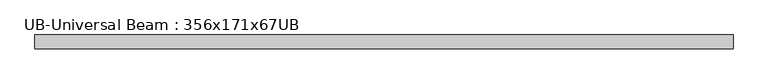
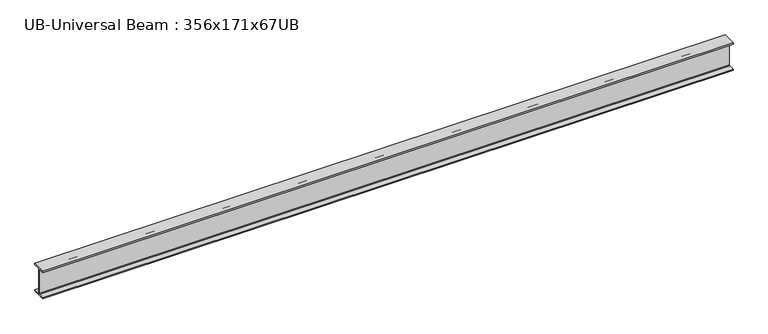
"""IFC4 building model written with IfcOpenShell, lengths in millimetres: beam geometry, UB-Universal Beam : 356x171x67UB."""

import ifcopenshell
import ifcopenshell.guid

model = None  # the IFC model being written
_history = None  # IfcOwnerHistory: only IFC2X3 demands one
_inside = {}  # id of a spatial element -> (the spatial element, [elements in it])
_under = {}  # id of a project, library or spatial element -> (it, [spatial elements below it])
_declared = {}  # id of a project -> (the project, [libraries it declares])
_typed = {}  # id of a type object -> (the type object, [elements of that type])
_made_of = {}  # id of a material, layer set ... -> (it, [elements and type objects made of it])


def new_model(schema):
    """Start an empty IFC model of exactly this schema.

    Asked for "IFC4X3", IfcOpenShell would pick the latest addendum, in which some entities
    have other attributes; the version numbers below select the first issue.
    IFC2X3 requires an IfcOwnerHistory on every rooted entity: one is made here for all.
    """
    global model, _history
    if schema == "IFC4X3":
        model = ifcopenshell.file(schema_version=(4, 3, 0, 0))
    else:
        model = ifcopenshell.file(schema=schema)
    _inside.clear()
    _under.clear()
    _declared.clear()
    _typed.clear()
    _made_of.clear()
    _history = None
    if model.schema == "IFC2X3":
        org = make("IfcOrganization", Name="unknown")
        user = make(
            "IfcPersonAndOrganization",
            ThePerson=make("IfcPerson", FamilyName="unknown"),
            TheOrganization=org,
        )
        app = make(
            "IfcApplication",
            ApplicationDeveloper=org,
            Version="unknown",
            ApplicationFullName="unknown",
            ApplicationIdentifier="unknown",
        )
        _history = make(
            "IfcOwnerHistory",
            OwningUser=user,
            OwningApplication=app,
            ChangeAction="ADDED",
            CreationDate=0,
        )
    return model


def make(cls, **values):
    """One entity of the class cls with the attributes given. An attribute that is None is left unset."""
    return model.create_entity(
        cls, **{name: value for name, value in values.items() if value is not None}
    )


def rooted(cls, **values):
    """An entity with a GlobalId (a new one), such as an element, a storey or a relation."""
    return make(cls, GlobalId=ifcopenshell.guid.new(), OwnerHistory=_history, **values)


def si_unit(unit_type, name, prefix=None):
    """IfcSIUnit, for example si_unit("LENGTHUNIT", "METRE", prefix="MILLI")."""
    return make("IfcSIUnit", UnitType=unit_type, Prefix=prefix, Name=name)


def assignment(units):
    """IfcUnitAssignment: the units of a project."""
    return None if units is None else make("IfcUnitAssignment", Units=units)


def point(xyz):
    """IfcCartesianPoint."""
    return None if xyz is None else make("IfcCartesianPoint", Coordinates=xyz)


def direction(xyz):
    """IfcDirection."""
    return None if xyz is None else make("IfcDirection", DirectionRatios=xyz)


def frame(location, z_axis=None, x_axis=None):
    """IfcAxis2Placement3D, a coordinate frame: its origin and axes. An axis left out is left unset."""
    return make(
        "IfcAxis2Placement3D",
        Location=point(location),
        Axis=direction(z_axis),
        RefDirection=direction(x_axis),
    )


def frame_2d(location, x_axis=None):
    """IfcAxis2Placement2D, a coordinate frame in the plane: its origin and x axis."""
    return make(
        "IfcAxis2Placement2D", Location=point(location), RefDirection=direction(x_axis)
    )


def origin():
    """The frame at (0, 0, 0) with its axes left unset."""
    return frame((0.0, 0.0, 0.0))


def place(relative_to, where):
    """IfcLocalPlacement: puts the frame where relative to a parent placement (None: the world)."""
    return make(
        "IfcLocalPlacement", PlacementRelTo=relative_to, RelativePlacement=where
    )


def context(
    kind, dimensions, precision=None, world=None, true_north=None, identifier=None
):
    """IfcGeometricRepresentationContext, for example the 3D "Model" context."""
    return make(
        "IfcGeometricRepresentationContext",
        ContextIdentifier=identifier,
        ContextType=kind,
        CoordinateSpaceDimension=dimensions,
        Precision=precision,
        WorldCoordinateSystem=world,
        TrueNorth=true_north,
    )


def project(units=None, contexts=None):
    """IfcProject with its units and contexts."""
    return rooted(
        "IfcProject",
        Name="project",
        RepresentationContexts=contexts,
        UnitsInContext=assignment(units),
    )


def spatial(cls, under=None, at=None, **own):
    """A site, building, storey or space (cls), placed at a placement, below another one or the project."""
    s = rooted(cls, ObjectPlacement=at, **own)
    if under is not None:
        _under.setdefault(under.id(), (under, []))[1].append(s)
    return s


def polyline(points):
    """IfcPolyline through the points."""
    return make("IfcPolyline", Points=[point(p) for p in points])


def circle_curve(where, radius):
    """IfcCircle in the frame where."""
    return make("IfcCircle", Position=where, Radius=radius)


def trimmed(basis, trim1, trim2, sense, master):
    """IfcTrimmedCurve: the piece of a basis curve between two trims."""
    return make(
        "IfcTrimmedCurve",
        BasisCurve=basis,
        Trim1=trim1,
        Trim2=trim2,
        SenseAgreement=sense,
        MasterRepresentation=master,
    )


def segment(curve, same_sense, transition):
    """IfcCompositeCurveSegment."""
    return make(
        "IfcCompositeCurveSegment",
        Transition=transition,
        SameSense=same_sense,
        ParentCurve=curve,
    )


def composite_curve(segments, self_intersect=None):
    """IfcCompositeCurve: segments joined end to end."""
    return make("IfcCompositeCurve", Segments=segments, SelfIntersect=self_intersect)


def outline(outer, holes=None, kind="AREA"):
    """IfcArbitraryClosedProfileDef: a profile drawn as a closed curve; with holes, ...WithVoids."""
    if holes is None:
        return make("IfcArbitraryClosedProfileDef", ProfileType=kind, OuterCurve=outer)
    return make(
        "IfcArbitraryProfileDefWithVoids",
        ProfileType=kind,
        OuterCurve=outer,
        InnerCurves=holes,
    )


def extrude(swept, where, along, depth):
    """IfcExtrudedAreaSolid: the profile swept, set in the frame where, extruded along a direction by depth."""
    return make(
        "IfcExtrudedAreaSolid",
        SweptArea=swept,
        Position=where,
        ExtrudedDirection=direction(along),
        Depth=depth,
    )


def shape(context_of_items, identifier, shape_type, items):
    """IfcShapeRepresentation: the items that make up one representation, for example the "Body"."""
    return make(
        "IfcShapeRepresentation",
        ContextOfItems=context_of_items,
        RepresentationIdentifier=identifier,
        RepresentationType=shape_type,
        Items=items,
    )


def source(mapping_origin, context_of_items, identifier, shape_type, items):
    """IfcRepresentationMap: a shape defined once, which mapped items show again and again."""
    return make(
        "IfcRepresentationMap",
        MappingOrigin=mapping_origin,
        MappedRepresentation=shape(context_of_items, identifier, shape_type, items),
    )


def transform(
    local_origin,
    x_axis=None,
    y_axis=None,
    z_axis=None,
    scale=None,
    scale2=None,
    scale3=None,
    uniform=True,
):
    """IfcCartesianTransformationOperator3D, or its non-uniform kind. x_axis, y_axis, z_axis: its Axis1, 2, 3."""
    if uniform:
        return make(
            "IfcCartesianTransformationOperator3D",
            Axis1=direction(x_axis),
            Axis2=direction(y_axis),
            LocalOrigin=point(local_origin),
            Scale=scale,
            Axis3=direction(z_axis),
        )
    return make(
        "IfcCartesianTransformationOperator3DnonUniform",
        Axis1=direction(x_axis),
        Axis2=direction(y_axis),
        LocalOrigin=point(local_origin),
        Scale=scale,
        Axis3=direction(z_axis),
        Scale2=scale2,
        Scale3=scale3,
    )


def mapped(mapping_source, mapping_target):
    """IfcMappedItem: shows the shape of a source again, moved by a transform."""
    return make(
        "IfcMappedItem", MappingSource=mapping_source, MappingTarget=mapping_target
    )


def made_of(thing, what):
    """Note that an element or type object is made of a material, layer set ...; save() writes the relation."""
    if what is not None:
        _made_of.setdefault(what.id(), (what, []))[1].append(thing)
    return thing


def element(
    cls,
    number,
    at=None,
    inside=None,
    cuts=None,
    type_object=None,
    material=None,
    context=None,
    identifier="Body",
    shape_type=None,
    held_by="IfcProductDefinitionShape",
    body=None,
    shapes=None,
    **own,
):
    """One element of the class cls, such as IfcWall. Its Tag is "e" and its number.

    at: its placement. inside: the storey or other place that contains it. cuts: it is an
    opening in that element (IfcRelVoidsElement). A single representation is given by context,
    identifier, shape_type and body (its items); several are given by shapes. held_by: the class
    of the entity that holds the representations. save() writes the other relations.
    """
    e = rooted(cls, Tag="e%d" % number, ObjectPlacement=at, **own)
    if body is not None:
        shapes = [shape(context, identifier, shape_type, body)]
    if shapes is not None:
        e.Representation = make(held_by, Representations=shapes)
    if inside is not None:
        _inside.setdefault(inside.id(), (inside, []))[1].append(e)
    if cuts is not None:
        rooted(
            "IfcRelVoidsElement", RelatingBuildingElement=cuts, RelatedOpeningElement=e
        )
    if type_object is not None:
        _typed.setdefault(type_object.id(), (type_object, []))[1].append(e)
    return made_of(e, material)


def aggregate(whole, parts):
    """IfcRelAggregates: a whole, such as a stair, and the parts it consists of."""
    return rooted("IfcRelAggregates", RelatingObject=whole, RelatedObjects=parts)


def save(model, path):
    """Write the relations noted so far, then the file.

    IfcRelAggregates (storeys below a building ...), IfcRelContainedInSpatialStructure (elements
    in a storey), IfcRelDefinesByType, IfcRelAssociatesMaterial and IfcRelDeclares: one each for
    every whole, place, type object, material and project.
    """
    for whole, parts in _under.values():
        aggregate(whole, parts)
    for where, things in _inside.values():
        rooted(
            "IfcRelContainedInSpatialStructure",
            RelatedElements=things,
            RelatingStructure=where,
        )
    for kind, things in _typed.values():
        rooted("IfcRelDefinesByType", RelatedObjects=things, RelatingType=kind)
    for what, things in _made_of.values():
        rooted("IfcRelAssociatesMaterial", RelatedObjects=things, RelatingMaterial=what)
    for by, libraries in _declared.values():
        rooted("IfcRelDeclares", RelatingContext=by, RelatedDefinitions=libraries)
    model.write(path)


def ub_universal_beam_356x171x67ub_00d34fd1(model_context):
    return source(origin(), model_context, "Body", "SweptSolid", [
        extrude(outline(composite_curve([segment(polyline([(86.6, -166.0), (86.6, -181.7), (-86.6, -181.7), (-86.6, -166.0), (-14.75, -166.0)]), True, "CONTINUOUS"), segment(trimmed(circle_curve(frame_2d((-14.75, -155.8)), 10.2), [point((-14.75, -166.0))], [point((-4.55, -155.8))], True, "CARTESIAN"), True, "CONTINUOUS"), segment(polyline([(-4.55, -155.8), (-4.55, 155.8)]), True, "CONTINUOUS"), segment(trimmed(circle_curve(frame_2d((-14.75, 155.8)), 10.2), [point((-4.55, 155.8))], [point((-14.75, 166.0))], True, "CARTESIAN"), True, "CONTINUOUS"), segment(polyline([(-14.75, 166.0), (-86.6, 166.0), (-86.6, 181.7), (86.6, 181.7), (86.6, 166.0), (14.75, 166.0)]), True, "CONTINUOUS"), segment(trimmed(circle_curve(frame_2d((14.75, 155.8)), 10.2), [point((14.75, 166.0))], [point((4.55, 155.8))], True, "CARTESIAN"), True, "CONTINUOUS"), segment(polyline([(4.55, 155.8), (4.55, -155.8)]), True, "CONTINUOUS"), segment(trimmed(circle_curve(frame_2d((14.75, -155.8)), 10.2), [point((4.55, -155.8))], [point((14.75, -166.0))], True, "CARTESIAN"), True, "CONTINUOUS"), segment(polyline([(14.75, -166.0), (86.6, -166.0)]), True, "CONTINUOUS")], self_intersect=False)), frame((-4299.0834481, 0.0, 0.0), z_axis=(1.0, 0.0, 0.0), x_axis=(0.0, 1.0, 0.0)), (0.0, 0.0, 1.0), 8619.2972909),
    ])


if __name__ == "__main__":
    model = new_model("IFC4")
    model_context = context("Model", 3, world=origin())
    ifc_project = project(units=[si_unit("LENGTHUNIT", "METRE", prefix="MILLI")], contexts=[model_context])
    site = spatial("IfcSite", under=ifc_project)
    building = spatial("IfcBuilding", under=site)
    placement = place(None, origin())
    ub_universal_beam_356x171x67ub_shape = ub_universal_beam_356x171x67ub_00d34fd1(model_context)
    element("IfcBeam", 1, ObjectType="UB-Universal Beam : 356x171x67UB", at=placement, inside=building, context=model_context, shape_type="MappedRepresentation", body=[
        mapped(ub_universal_beam_356x171x67ub_shape, transform((0.0, 0.0, 0.0), x_axis=(1.0, 0.0, 0.0), y_axis=(0.0, 1.0, 0.0), z_axis=(0.0, 0.0, 1.0))),
    ])
    save(model, "model.ifc")
